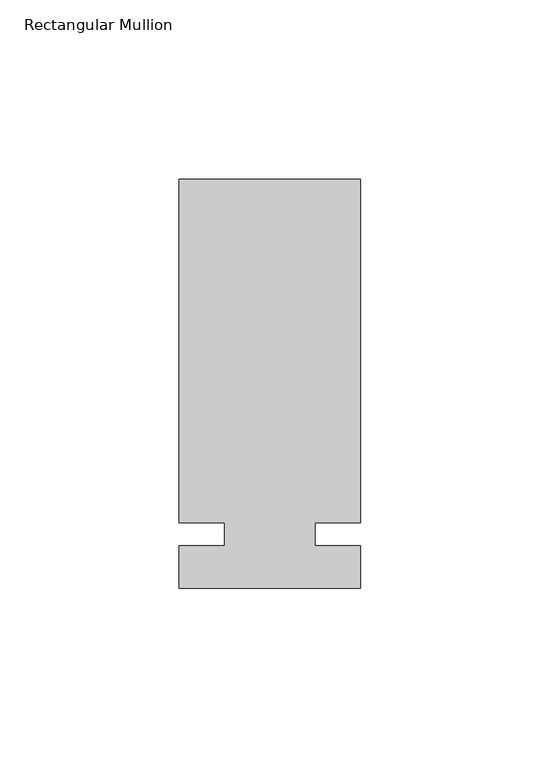
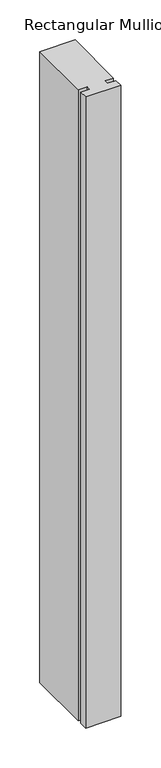
"""IFC4 building model written with IfcOpenShell, lengths in millimetres: member geometry, Rectangular Mullion."""

from ifc_helpers import new_model, si_unit, frame, origin, place, context, project, spatial, polyline, outline, extrude, source, transform, mapped, element, save


def rectangular_mullion_2a0f8a6e(model_context):
    return source(origin(), model_context, "Body", "SweptSolid", [
        extrude(outline(polyline([(29.7344027, 99.21875), (29.7344027, 3.175), (17.0326322, 3.175), (17.0326322, -3.175), (29.7344027, -3.175), (29.7344027, -15.08125), (-21.0655973, -15.08125), (-21.0655973, -3.175), (-8.3655973, -3.175), (-8.3655973, 3.175), (-21.0655973, 3.175), (-21.0655973, 99.21875), (29.7344027, 99.21875)])), frame((0.0, 0.0, -965.2), z_axis=(0.0, 0.0, 1.0), x_axis=(1.0, 0.0, 0.0)), (0.0, 0.0, 1.0), 965.2),
    ])


if __name__ == "__main__":
    model = new_model("IFC4")
    model_context = context("Model", 3, world=origin())
    ifc_project = project(units=[si_unit("LENGTHUNIT", "METRE", prefix="MILLI")], contexts=[model_context])
    site = spatial("IfcSite", under=ifc_project)
    building = spatial("IfcBuilding", under=site)
    placement = place(None, origin())
    rectangular_mullion_shape = rectangular_mullion_2a0f8a6e(model_context)
    element("IfcMember", 1, ObjectType="Rectangular Mullion", at=placement, inside=building, context=model_context, shape_type="MappedRepresentation", body=[
        mapped(rectangular_mullion_shape, transform((0.0, 0.0, 0.0), x_axis=(1.0, 0.0, 0.0), y_axis=(0.0, 1.0, 0.0), z_axis=(0.0, 0.0, 1.0))),
    ])
    save(model, "model.ifc")
